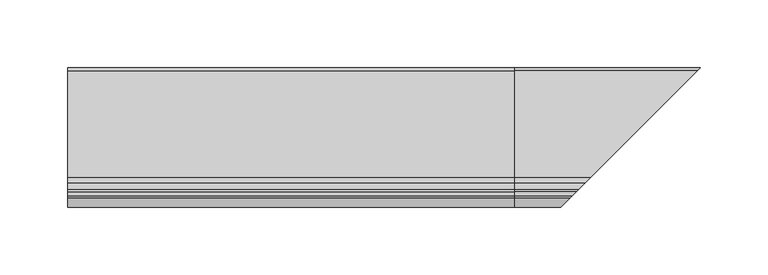
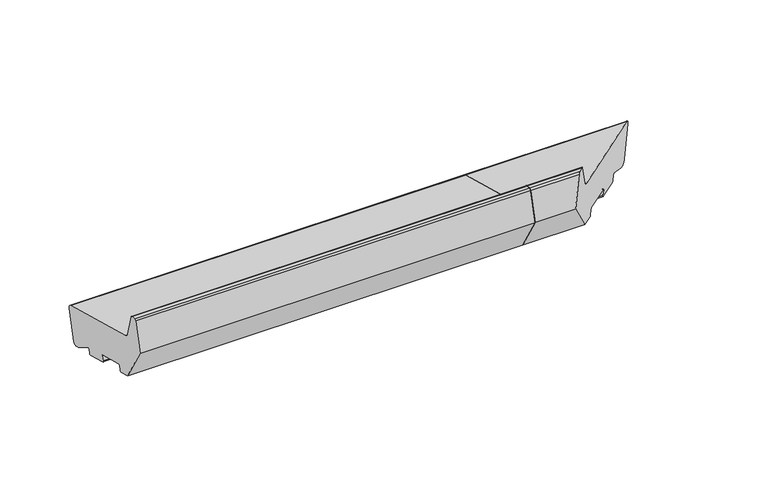
"""IFC4 building model written with IfcOpenShell, lengths in millimetres: proxy geometry."""

from ifc_helpers import new_model, si_unit, point, frame, frame_2d, origin, place, context, project, spatial, polyline, circle_curve, ellipse_curve, trimmed, segment, composite_curve, outline, extrude, source, transform, mapped, element, save
from ifc_brep_helpers import plane_surface, cylinder_surface, revolved_surface, advanced_brep


def generic_models_c3c67af0(model_context):
    return source(origin(), model_context, "Body", "SolidModel", [
        advanced_brep(
        [(330.0, -47.1626434, 57.797826), (330.0, 31.5949866, 36.6947826), (330.0, 33.716307, 33.020548), (330.0, 26.9870118, 7.9064765), (330.0, 23.3127772, 5.7851562), (330.0, 20.4149997, 6.5616133), (330.0, 6.4292308, 15.095059), (330.0, 4.9424512, 14.5002322), (330.0, 3.9942607, 10.9615371), (330.0, 2.7695158, 10.2544303), (330.0, -14.6171491, 14.9131731), (330.0, -15.3242559, 16.137918), (330.0, -14.2889797, 20.0016213), (330.0, -14.9960865, 21.2263662), (330.0, -38.1783063, 27.4380232), (330.0, -39.4030512, 26.7309165), (330.0, -40.4383273, 22.8672132), (330.0, -41.6630722, 22.1601064), (330.0, -51.3223305, 24.7482968), (330.0, -69.0, 55.3669186), (330.0, -62.4291321, 79.8897315), (330.0, -60.9802434, 81.0015029), (330.0, -57.6368689, 81.0015029), (330.0, -56.1879801, 79.8897315), (330.0, -51.4052841, 62.0404667), (385.8373566, -47.1626434, 57.797826), (464.5949866, 31.5949866, 36.6947826), (466.716307, 33.716307, 33.020548), (459.9870118, 26.9870118, 7.9064765), (456.3127772, 23.3127772, 5.7851562), (453.4149997, 20.4149997, 6.5616133), (439.4292308, 6.4292308, 15.095059), (437.9424512, 4.9424512, 14.5002322), (436.9942607, 3.9942607, 10.9615371), (435.7695158, 2.7695158, 10.2544303), (418.3828509, -14.6171491, 14.9131731), (417.6757441, -15.3242559, 16.137918), (418.7110203, -14.2889797, 20.0016213), (418.0039135, -14.9960865, 21.2263662), (394.8216937, -38.1783063, 27.4380232), (393.5969488, -39.4030512, 26.7309165), (392.5616727, -40.4383273, 22.8672132), (391.3369278, -41.6630722, 22.1601064), (381.6776695, -51.3223305, 24.7482968), (364.0, -69.0, 55.3669186), (370.5708679, -62.4291321, 79.8897315), (372.0197566, -60.9802434, 81.0015029), (375.3631311, -57.6368689, 81.0015029), (376.8120199, -56.1879801, 79.8897315), (381.5947159, -51.4052841, 62.0404667)],
        [
            (0, 1),
            (1, 2, circle_curve(frame((330.0, 30.8185295, 33.7970051), z_axis=(-1.0, 0.0, 0.0), x_axis=(0.0, 0.9659258262890683, -0.25881904510252074)), 3.0)),
            (2, 3),
            (3, 4, circle_curve(frame((330.0, 24.0892343, 8.6829337), z_axis=(-1.0, 0.0, 0.0), x_axis=(0.0, -0.2588190451025206, -0.9659258262890683)), 3.0)),
            (4, 5),
            (5, 6),
            (6, 7, circle_curve(frame((330.0, 5.908377, 14.2414131), z_axis=(1.0, 0.0, 0.0), x_axis=(0.0, -0.9659258262890681, 0.25881904510252157)), 1.0)),
            (7, 8),
            (8, 9, circle_curve(frame((330.0, 3.0283348, 11.2203561), z_axis=(-1.0, 0.0, 0.0), x_axis=(0.0, -0.25881904510252074, -0.9659258262890683)), 1.0)),
            (9, 10),
            (10, 11, circle_curve(frame((330.0, -14.35833, 15.8790989), z_axis=(-1.0, 0.0, 0.0), x_axis=(0.0, -0.9659258262890683, 0.25881904510252074)), 1.0)),
            (11, 12),
            (12, 13, circle_curve(frame((330.0, -15.2549055, 20.2604403), z_axis=(1.0, 0.0, 0.0), x_axis=(0.0, 0.25881904510252074, 0.9659258262890683)), 1.0)),
            (13, 14),
            (14, 15, circle_curve(frame((330.0, -38.4371253, 26.4720974), z_axis=(1.0, 0.0, 0.0), x_axis=(0.0, -0.9659258262890683, 0.25881904510252074)), 1.0)),
            (15, 16),
            (16, 17, circle_curve(frame((330.0, -41.4042532, 23.1260322), z_axis=(-1.0, 0.0, 0.0), x_axis=(0.0, -0.25881904510252074, -0.9659258262890683)), 1.0)),
            (17, 18),
            (18, 19),
            (19, 20),
            (20, 21, circle_curve(frame((330.0, -60.9802434, 79.5015029), z_axis=(-1.0, 0.0, 0.0), x_axis=(0.0, 0.0, 1.0)), 1.5)),
            (21, 22),
            (22, 23, circle_curve(frame((330.0, -57.6368689, 79.5015029), z_axis=(-1.0, 0.0, 0.0), x_axis=(0.0, 0.9659258262890683, 0.25881904510252074)), 1.5)),
            (23, 24),
            (24, 0, circle_curve(frame((330.0, -45.6097291, 63.5933809), z_axis=(1.0, 0.0, 0.0), x_axis=(0.0, -0.25881904510252074, -0.9659258262890683)), 6.0)),
            (0, 25),
            (25, 26),
            (26, 1),
            (26, 27, ellipse_curve(frame((463.8185295, 30.8185295, 33.7970051), z_axis=(-0.7071067811865491, 0.707106781186546, 0.0), x_axis=(0.7071067811865459, 0.7071067811865491, 0.0)), 4.2426407, 3.0)),
            (27, 2),
            (27, 28),
            (28, 3),
            (28, 29, ellipse_curve(frame((457.0892343, 24.0892343, 8.6829337), z_axis=(-0.7071067811865491, 0.707106781186546, 0.0), x_axis=(0.7071067811865459, 0.7071067811865491, 0.0)), 4.2426407, 3.0)),
            (29, 4),
            (29, 30),
            (30, 5),
            (30, 31),
            (31, 6),
            (31, 32, ellipse_curve(frame((438.908377, 5.908377, 14.2414131), z_axis=(0.7071067811865491, -0.707106781186546, 0.0), x_axis=(-0.7071067811865459, -0.7071067811865491, 0.0)), 1.4142136, 1.0)),
            (32, 7),
            (32, 33),
            (33, 8),
            (33, 34, ellipse_curve(frame((436.0283348, 3.0283348, 11.2203561), z_axis=(-0.7071067811865491, 0.707106781186546, 0.0), x_axis=(0.7071067811865459, 0.7071067811865491, 0.0)), 1.4142136, 1.0)),
            (34, 9),
            (34, 35),
            (35, 10),
            (35, 36, ellipse_curve(frame((418.64167, -14.35833, 15.8790989), z_axis=(-0.7071067811865491, 0.707106781186546, 0.0), x_axis=(0.7071067811865459, 0.7071067811865491, 0.0)), 1.4142136, 1.0)),
            (36, 11),
            (36, 37),
            (37, 12),
            (37, 38, ellipse_curve(frame((417.7450945, -15.2549055, 20.2604403), z_axis=(0.7071067811865491, -0.707106781186546, 0.0), x_axis=(-0.7071067811865459, -0.7071067811865491, 0.0)), 1.4142136, 1.0)),
            (38, 13),
            (38, 39),
            (39, 14),
            (39, 40, ellipse_curve(frame((394.5628747, -38.4371253, 26.4720974), z_axis=(0.7071067811865491, -0.707106781186546, 0.0), x_axis=(-0.7071067811865459, -0.7071067811865491, 0.0)), 1.4142136, 1.0)),
            (40, 15),
            (40, 41),
            (41, 16),
            (41, 42, ellipse_curve(frame((391.5957468, -41.4042532, 23.1260322), z_axis=(-0.7071067811865491, 0.707106781186546, 0.0), x_axis=(0.7071067811865459, 0.7071067811865491, 0.0)), 1.4142136, 1.0)),
            (42, 17),
            (42, 43),
            (43, 18),
            (43, 44),
            (44, 19),
            (44, 45),
            (45, 20),
            (45, 46, ellipse_curve(frame((372.0197566, -60.9802434, 79.5015029), z_axis=(-0.7071067811865491, 0.707106781186546, 0.0), x_axis=(0.7071067811865459, 0.7071067811865491, 0.0)), 2.1213203, 1.5)),
            (46, 21),
            (46, 47),
            (47, 22),
            (47, 48, ellipse_curve(frame((375.3631311, -57.6368689, 79.5015029), z_axis=(-0.7071067811865491, 0.707106781186546, 0.0), x_axis=(0.7071067811865459, 0.7071067811865491, 0.0)), 2.1213203, 1.5)),
            (48, 23),
            (48, 49),
            (49, 24),
            (49, 25, ellipse_curve(frame((387.3902709, -45.6097291, 63.5933809), z_axis=(0.7071067811865491, -0.707106781186546, 0.0), x_axis=(-0.7071067811865459, -0.7071067811865491, 0.0)), 8.4852814, 6.0)),
        ],
        [
            plane_surface(frame((330.0, -0.0129882, 0.0), z_axis=(-1.0, 0.0, 0.0), x_axis=(0.0, 0.0, 1.0))),
            plane_surface(frame((466.9599509, -47.1626434, 57.797826), z_axis=(0.0, 0.25881904510252074, 0.9659258262890683), x_axis=(-1.0, 0.0, 0.0))),
            cylinder_surface(frame((466.9599509, 30.8185295, 33.7970051), z_axis=(1.0, 0.0, 0.0), x_axis=(0.0, 0.9659258262890683, -0.25881904510252074)), 3.0),
            plane_surface(frame((466.9599509, 33.716307, 33.020548), z_axis=(0.0, 0.9659258262890683, -0.25881904510252074), x_axis=(-1.0, 0.0, 0.0))),
            cylinder_surface(frame((466.9599509, 24.0892343, 8.6829337), z_axis=(1.0, 0.0, 0.0), x_axis=(0.0, -0.2588190451025206, -0.9659258262890683)), 3.0),
            plane_surface(frame((466.9599509, 23.3127772, 5.7851562), z_axis=(0.0, -0.25881904510252074, -0.9659258262890683), x_axis=(-1.0, 0.0, 0.0))),
            plane_surface(frame((466.9599509, 20.4149997, 6.5616133), z_axis=(0.0, -0.5208538026734643, -0.8536458962828745), x_axis=(-1.0, 0.0, 0.0))),
            revolved_surface(polyline([(330.0, 4.942451173710932, 14.500232145102522), (439.9083770266062, 4.942451173710932, 14.500232145102522)]), (466.9599509, 5.908377, 14.2414131), (-1.0, 0.0, 0.0)),
            plane_surface(frame((466.9599509, 4.9424512, 14.5002322), z_axis=(0.0, 0.9659258262890683, -0.25881904510252074), x_axis=(-1.0, 0.0, 0.0))),
            cylinder_surface(frame((466.9599509, 3.0283348, 11.2203561), z_axis=(1.0, 0.0, 0.0), x_axis=(0.0, -0.25881904510252074, -0.9659258262890683)), 1.0),
            plane_surface(frame((466.9599509, 2.7695158, 10.2544303), z_axis=(0.0, -0.25881904510252074, -0.9659258262890683), x_axis=(-1.0, 0.0, 0.0))),
            cylinder_surface(frame((466.9599509, -14.35833, 15.8790989), z_axis=(1.0, 0.0, 0.0), x_axis=(0.0, -0.9659258262890683, 0.25881904510252074)), 1.0),
            plane_surface(frame((466.9599509, -15.3242559, 16.137918), z_axis=(0.0, -0.9659258262890683, 0.25881904510252074), x_axis=(-1.0, 0.0, 0.0))),
            revolved_surface(polyline([(330.0, -14.99608645489748, 21.22636612628907), (418.74509452660624, -14.99608645489748, 21.22636612628907)]), (466.9599509, -15.2549055, 20.2604403), (-1.0, 0.0, 0.0)),
            plane_surface(frame((466.9599509, -14.9960865, 21.2263662), z_axis=(0.0, -0.25881904510252074, -0.9659258262890683), x_axis=(-1.0, 0.0, 0.0))),
            revolved_surface(polyline([(330.0, -39.403051126289064, 26.73091644510252), (395.56287472660625, -39.403051126289064, 26.73091644510252)]), (466.9599509, -38.4371253, 26.4720974), (-1.0, 0.0, 0.0)),
            plane_surface(frame((466.9599509, -39.4030512, 26.7309165), z_axis=(0.0, 0.9659258262890683, -0.25881904510252074), x_axis=(-1.0, 0.0, 0.0))),
            cylinder_surface(frame((466.9599509, -41.4042532, 23.1260322), z_axis=(1.0, 0.0, 0.0), x_axis=(0.0, -0.25881904510252074, -0.9659258262890683)), 1.0),
            plane_surface(frame((466.9599509, -41.6630722, 22.1601064), z_axis=(0.0, -0.25881904510252074, -0.9659258262890683), x_axis=(-1.0, 0.0, 0.0))),
            plane_surface(frame((466.9599509, -51.3223305, 24.7482968), z_axis=(0.0, -0.8660254037844388, -0.4999999999999997), x_axis=(-1.0, 0.0, 0.0))),
            plane_surface(frame((466.9599509, -69.0, 55.3669186), z_axis=(0.0, -0.9659258262890683, 0.25881904510252074), x_axis=(-1.0, 0.0, 0.0))),
            cylinder_surface(frame((466.9599509, -60.9802434, 79.5015029), z_axis=(1.0, 0.0, 0.0), x_axis=(0.0, 0.0, 1.0)), 1.5),
            plane_surface(frame((466.9599509, -60.9802434, 81.0015029), z_axis=(0.0, 0.0, 1.0), x_axis=(-1.0, 0.0, 0.0))),
            cylinder_surface(frame((466.9599509, -57.6368689, 79.5015029), z_axis=(1.0, 0.0, 0.0), x_axis=(0.0, 0.9659258262890683, 0.25881904510252074)), 1.5),
            plane_surface(frame((466.9599509, -56.1879801, 79.8897315), z_axis=(0.0, 0.9659258262890689, 0.2588190451025189), x_axis=(-1.0, 0.0, 0.0))),
            revolved_surface(polyline([(330.0, -47.16264337061513, 57.79782594226559), (393.39027091821606, -47.16264337061513, 57.79782594226559)]), (466.9599509, -45.6097291, 63.5933809), (-1.0, 0.0, 0.0)),
            plane_surface(frame((322.8748127, -110.1251873, 86.7951871), z_axis=(0.7071067811865491, -0.707106781186546, 0.0), x_axis=(0.0, 0.0, -1.0))),
        ],
        [
            (0, [[1, 2, 3, 4, 5, 6, 7, 8, 9, 10, 11, 12, 13, 14, 15, 16, 17, 18, 19, 20, 21, 22, 23, 24, 25]]),
            (1, [[26, 27, 28, -1]]),
            (2, [[-28, 29, 30, -2]]),
            (3, [[-30, 31, 32, -3]]),
            (4, [[-32, 33, 34, -4]]),
            (5, [[-34, 35, 36, -5]]),
            (6, [[-36, 37, 38, -6]]),
            (7, [[-38, 39, 40, -7]]),
            (8, [[-40, 41, 42, -8]]),
            (9, [[-42, 43, 44, -9]]),
            (10, [[-44, 45, 46, -10]]),
            (11, [[-46, 47, 48, -11]]),
            (12, [[-48, 49, 50, -12]]),
            (13, [[-50, 51, 52, -13]]),
            (14, [[-52, 53, 54, -14]]),
            (15, [[-54, 55, 56, -15]]),
            (16, [[-56, 57, 58, -16]]),
            (17, [[-58, 59, 60, -17]]),
            (18, [[-60, 61, 62, -18]]),
            (19, [[-62, 63, 64, -19]]),
            (20, [[-64, 65, 66, -20]]),
            (21, [[-66, 67, 68, -21]]),
            (22, [[-68, 69, 70, -22]]),
            (23, [[-70, 71, 72, -23]]),
            (24, [[-72, 73, 74, -24]]),
            (25, [[-74, 75, -26, -25]]),
            (26, [[-75, -73, -71, -69, -67, -65, -63, -61, -59, -57, -55, -53, -51, -49, -47, -45, -43, -41, -39, -37, -35, -33, -31, -29, -27]]),
        ],
    ),
        extrude(outline(composite_curve([segment(polyline([(-47.1626434, 57.797826), (31.5949866, 36.6947826)]), True, "CONTINUOUS"), segment(trimmed(circle_curve(frame_2d((30.8185295, 33.7970051)), 3.0), [point((31.5949866, 36.6947826))], [point((33.716307, 33.020548))], False, "CARTESIAN"), True, "CONTINUOUS"), segment(polyline([(33.716307, 33.020548), (26.9870118, 7.9064765)]), True, "CONTINUOUS"), segment(trimmed(circle_curve(frame_2d((24.0892343, 8.6829337)), 3.0), [point((26.9870118, 7.9064765))], [point((23.3127772, 5.7851562))], False, "CARTESIAN"), True, "CONTINUOUS"), segment(polyline([(23.3127772, 5.7851562), (20.4149997, 6.5616133), (6.4292308, 15.095059)]), True, "CONTINUOUS"), segment(trimmed(circle_curve(frame_2d((5.908377, 14.2414131)), 1.0), [point((6.4292308, 15.095059))], [point((4.9424512, 14.5002322))], True, "CARTESIAN"), True, "CONTINUOUS"), segment(polyline([(4.9424512, 14.5002322), (3.9942607, 10.9615371)]), True, "CONTINUOUS"), segment(trimmed(circle_curve(frame_2d((3.0283348, 11.2203561)), 1.0), [point((3.9942607, 10.9615371))], [point((2.7695158, 10.2544303))], False, "CARTESIAN"), True, "CONTINUOUS"), segment(polyline([(2.7695158, 10.2544303), (-14.6171491, 14.9131731)]), True, "CONTINUOUS"), segment(trimmed(circle_curve(frame_2d((-14.35833, 15.8790989)), 1.0), [point((-14.6171491, 14.9131731))], [point((-15.3242559, 16.137918))], False, "CARTESIAN"), True, "CONTINUOUS"), segment(polyline([(-15.3242559, 16.137918), (-14.2889797, 20.0016213)]), True, "CONTINUOUS"), segment(trimmed(circle_curve(frame_2d((-15.2549055, 20.2604403)), 1.0), [point((-14.2889797, 20.0016213))], [point((-14.9960865, 21.2263662))], True, "CARTESIAN"), True, "CONTINUOUS"), segment(polyline([(-14.9960865, 21.2263662), (-38.1783063, 27.4380232)]), True, "CONTINUOUS"), segment(trimmed(circle_curve(frame_2d((-38.4371253, 26.4720974)), 1.0), [point((-38.1783063, 27.4380232))], [point((-39.4030512, 26.7309165))], True, "CARTESIAN"), True, "CONTINUOUS"), segment(polyline([(-39.4030512, 26.7309165), (-40.4383273, 22.8672132)]), True, "CONTINUOUS"), segment(trimmed(circle_curve(frame_2d((-41.4042532, 23.1260322)), 1.0), [point((-40.4383273, 22.8672132))], [point((-41.6630722, 22.1601064))], False, "CARTESIAN"), True, "CONTINUOUS"), segment(polyline([(-41.6630722, 22.1601064), (-51.3223305, 24.7482968), (-69.0, 55.3669186), (-62.4291321, 79.8897315)]), True, "CONTINUOUS"), segment(trimmed(circle_curve(frame_2d((-60.9802434, 79.5015029)), 1.5), [point((-62.4291321, 79.8897315))], [point((-60.9802434, 81.0015029))], False, "CARTESIAN"), True, "CONTINUOUS"), segment(polyline([(-60.9802434, 81.0015029), (-57.6368689, 81.0015029)]), True, "CONTINUOUS"), segment(trimmed(circle_curve(frame_2d((-57.6368689, 79.5015029)), 1.5), [point((-57.6368689, 81.0015029))], [point((-56.1879801, 79.8897315))], False, "CARTESIAN"), True, "CONTINUOUS"), segment(polyline([(-56.1879801, 79.8897315), (-51.4052841, 62.0404667)]), True, "CONTINUOUS"), segment(trimmed(circle_curve(frame_2d((-45.6097291, 63.5933809)), 6.0), [point((-51.4052841, 62.0404667))], [point((-47.1626434, 57.797826))], True, "CARTESIAN"), True, "CONTINUOUS")], self_intersect=False)), frame((0.0, 0.0, 0.0), z_axis=(1.0, 0.0, 0.0), x_axis=(0.0, 1.0, 0.0)), (0.0, 0.0, 1.0), 330.0),
    ])


if __name__ == "__main__":
    model = new_model("IFC4")
    model_context = context("Model", 3, world=origin())
    ifc_project = project(units=[si_unit("LENGTHUNIT", "METRE", prefix="MILLI")], contexts=[model_context])
    site = spatial("IfcSite", under=ifc_project)
    building = spatial("IfcBuilding", under=site)
    placement = place(None, origin())
    generic_models_shape = generic_models_c3c67af0(model_context)
    element("IfcBuildingElementProxy", 1, Name="Generic Models", at=placement, inside=building, context=model_context, shape_type="MappedRepresentation", body=[
        mapped(generic_models_shape, transform((0.0, 0.0, 0.0), x_axis=(1.0, 0.0, 0.0), y_axis=(0.0, 1.0, 0.0), z_axis=(0.0, 0.0, 1.0))),
    ])
    save(model, "model.ifc")
